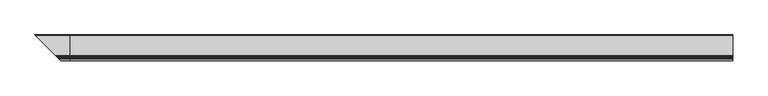
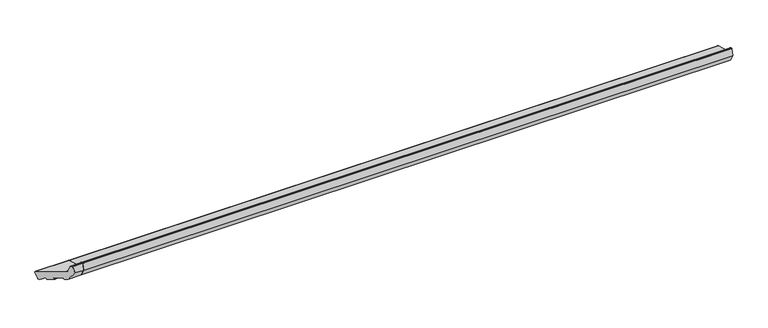
"""IFC4 building model written with IfcOpenShell, lengths in millimetres: proxy geometry."""

import ifcopenshell
import ifcopenshell.guid

model = None  # the IFC model being written
_history = None  # IfcOwnerHistory: only IFC2X3 demands one
_inside = {}  # id of a spatial element -> (the spatial element, [elements in it])
_under = {}  # id of a project, library or spatial element -> (it, [spatial elements below it])
_declared = {}  # id of a project -> (the project, [libraries it declares])
_typed = {}  # id of a type object -> (the type object, [elements of that type])
_made_of = {}  # id of a material, layer set ... -> (it, [elements and type objects made of it])


def new_model(schema):
    """Start an empty IFC model of exactly this schema.

    Asked for "IFC4X3", IfcOpenShell would pick the latest addendum, in which some entities
    have other attributes; the version numbers below select the first issue.
    IFC2X3 requires an IfcOwnerHistory on every rooted entity: one is made here for all.
    """
    global model, _history
    if schema == "IFC4X3":
        model = ifcopenshell.file(schema_version=(4, 3, 0, 0))
    else:
        model = ifcopenshell.file(schema=schema)
    _inside.clear()
    _under.clear()
    _declared.clear()
    _typed.clear()
    _made_of.clear()
    _history = None
    if model.schema == "IFC2X3":
        org = make("IfcOrganization", Name="unknown")
        user = make(
            "IfcPersonAndOrganization",
            ThePerson=make("IfcPerson", FamilyName="unknown"),
            TheOrganization=org,
        )
        app = make(
            "IfcApplication",
            ApplicationDeveloper=org,
            Version="unknown",
            ApplicationFullName="unknown",
            ApplicationIdentifier="unknown",
        )
        _history = make(
            "IfcOwnerHistory",
            OwningUser=user,
            OwningApplication=app,
            ChangeAction="ADDED",
            CreationDate=0,
        )
    return model


def make(cls, **values):
    """One entity of the class cls with the attributes given. An attribute that is None is left unset."""
    return model.create_entity(
        cls, **{name: value for name, value in values.items() if value is not None}
    )


def rooted(cls, **values):
    """An entity with a GlobalId (a new one), such as an element, a storey or a relation."""
    return make(cls, GlobalId=ifcopenshell.guid.new(), OwnerHistory=_history, **values)


def si_unit(unit_type, name, prefix=None):
    """IfcSIUnit, for example si_unit("LENGTHUNIT", "METRE", prefix="MILLI")."""
    return make("IfcSIUnit", UnitType=unit_type, Prefix=prefix, Name=name)


def assignment(units):
    """IfcUnitAssignment: the units of a project."""
    return None if units is None else make("IfcUnitAssignment", Units=units)


def point(xyz):
    """IfcCartesianPoint."""
    return None if xyz is None else make("IfcCartesianPoint", Coordinates=xyz)


def direction(xyz):
    """IfcDirection."""
    return None if xyz is None else make("IfcDirection", DirectionRatios=xyz)


def frame(location, z_axis=None, x_axis=None):
    """IfcAxis2Placement3D, a coordinate frame: its origin and axes. An axis left out is left unset."""
    return make(
        "IfcAxis2Placement3D",
        Location=point(location),
        Axis=direction(z_axis),
        RefDirection=direction(x_axis),
    )


def frame_2d(location, x_axis=None):
    """IfcAxis2Placement2D, a coordinate frame in the plane: its origin and x axis."""
    return make(
        "IfcAxis2Placement2D", Location=point(location), RefDirection=direction(x_axis)
    )


def origin():
    """The frame at (0, 0, 0) with its axes left unset."""
    return frame((0.0, 0.0, 0.0))


def place(relative_to, where):
    """IfcLocalPlacement: puts the frame where relative to a parent placement (None: the world)."""
    return make(
        "IfcLocalPlacement", PlacementRelTo=relative_to, RelativePlacement=where
    )


def context(
    kind, dimensions, precision=None, world=None, true_north=None, identifier=None
):
    """IfcGeometricRepresentationContext, for example the 3D "Model" context."""
    return make(
        "IfcGeometricRepresentationContext",
        ContextIdentifier=identifier,
        ContextType=kind,
        CoordinateSpaceDimension=dimensions,
        Precision=precision,
        WorldCoordinateSystem=world,
        TrueNorth=true_north,
    )


def project(units=None, contexts=None):
    """IfcProject with its units and contexts."""
    return rooted(
        "IfcProject",
        Name="project",
        RepresentationContexts=contexts,
        UnitsInContext=assignment(units),
    )


def spatial(cls, under=None, at=None, **own):
    """A site, building, storey or space (cls), placed at a placement, below another one or the project."""
    s = rooted(cls, ObjectPlacement=at, **own)
    if under is not None:
        _under.setdefault(under.id(), (under, []))[1].append(s)
    return s


def polyline(points):
    """IfcPolyline through the points."""
    return make("IfcPolyline", Points=[point(p) for p in points])


def circle_curve(where, radius):
    """IfcCircle in the frame where."""
    return make("IfcCircle", Position=where, Radius=radius)


def ellipse_curve(where, semi_axis1, semi_axis2):
    """IfcEllipse in the frame where."""
    return make(
        "IfcEllipse", Position=where, SemiAxis1=semi_axis1, SemiAxis2=semi_axis2
    )


def trimmed(basis, trim1, trim2, sense, master):
    """IfcTrimmedCurve: the piece of a basis curve between two trims."""
    return make(
        "IfcTrimmedCurve",
        BasisCurve=basis,
        Trim1=trim1,
        Trim2=trim2,
        SenseAgreement=sense,
        MasterRepresentation=master,
    )


def segment(curve, same_sense, transition):
    """IfcCompositeCurveSegment."""
    return make(
        "IfcCompositeCurveSegment",
        Transition=transition,
        SameSense=same_sense,
        ParentCurve=curve,
    )


def composite_curve(segments, self_intersect=None):
    """IfcCompositeCurve: segments joined end to end."""
    return make("IfcCompositeCurve", Segments=segments, SelfIntersect=self_intersect)


def outline(outer, holes=None, kind="AREA"):
    """IfcArbitraryClosedProfileDef: a profile drawn as a closed curve; with holes, ...WithVoids."""
    if holes is None:
        return make("IfcArbitraryClosedProfileDef", ProfileType=kind, OuterCurve=outer)
    return make(
        "IfcArbitraryProfileDefWithVoids",
        ProfileType=kind,
        OuterCurve=outer,
        InnerCurves=holes,
    )


def extrude(swept, where, along, depth):
    """IfcExtrudedAreaSolid: the profile swept, set in the frame where, extruded along a direction by depth."""
    return make(
        "IfcExtrudedAreaSolid",
        SweptArea=swept,
        Position=where,
        ExtrudedDirection=direction(along),
        Depth=depth,
    )


def shape(context_of_items, identifier, shape_type, items):
    """IfcShapeRepresentation: the items that make up one representation, for example the "Body"."""
    return make(
        "IfcShapeRepresentation",
        ContextOfItems=context_of_items,
        RepresentationIdentifier=identifier,
        RepresentationType=shape_type,
        Items=items,
    )


def source(mapping_origin, context_of_items, identifier, shape_type, items):
    """IfcRepresentationMap: a shape defined once, which mapped items show again and again."""
    return make(
        "IfcRepresentationMap",
        MappingOrigin=mapping_origin,
        MappedRepresentation=shape(context_of_items, identifier, shape_type, items),
    )


def transform(
    local_origin,
    x_axis=None,
    y_axis=None,
    z_axis=None,
    scale=None,
    scale2=None,
    scale3=None,
    uniform=True,
):
    """IfcCartesianTransformationOperator3D, or its non-uniform kind. x_axis, y_axis, z_axis: its Axis1, 2, 3."""
    if uniform:
        return make(
            "IfcCartesianTransformationOperator3D",
            Axis1=direction(x_axis),
            Axis2=direction(y_axis),
            LocalOrigin=point(local_origin),
            Scale=scale,
            Axis3=direction(z_axis),
        )
    return make(
        "IfcCartesianTransformationOperator3DnonUniform",
        Axis1=direction(x_axis),
        Axis2=direction(y_axis),
        LocalOrigin=point(local_origin),
        Scale=scale,
        Axis3=direction(z_axis),
        Scale2=scale2,
        Scale3=scale3,
    )


def mapped(mapping_source, mapping_target):
    """IfcMappedItem: shows the shape of a source again, moved by a transform."""
    return make(
        "IfcMappedItem", MappingSource=mapping_source, MappingTarget=mapping_target
    )


def made_of(thing, what):
    """Note that an element or type object is made of a material, layer set ...; save() writes the relation."""
    if what is not None:
        _made_of.setdefault(what.id(), (what, []))[1].append(thing)
    return thing


def element(
    cls,
    number,
    at=None,
    inside=None,
    cuts=None,
    type_object=None,
    material=None,
    context=None,
    identifier="Body",
    shape_type=None,
    held_by="IfcProductDefinitionShape",
    body=None,
    shapes=None,
    **own,
):
    """One element of the class cls, such as IfcWall. Its Tag is "e" and its number.

    at: its placement. inside: the storey or other place that contains it. cuts: it is an
    opening in that element (IfcRelVoidsElement). A single representation is given by context,
    identifier, shape_type and body (its items); several are given by shapes. held_by: the class
    of the entity that holds the representations. save() writes the other relations.
    """
    e = rooted(cls, Tag="e%d" % number, ObjectPlacement=at, **own)
    if body is not None:
        shapes = [shape(context, identifier, shape_type, body)]
    if shapes is not None:
        e.Representation = make(held_by, Representations=shapes)
    if inside is not None:
        _inside.setdefault(inside.id(), (inside, []))[1].append(e)
    if cuts is not None:
        rooted(
            "IfcRelVoidsElement", RelatingBuildingElement=cuts, RelatedOpeningElement=e
        )
    if type_object is not None:
        _typed.setdefault(type_object.id(), (type_object, []))[1].append(e)
    return made_of(e, material)


def aggregate(whole, parts):
    """IfcRelAggregates: a whole, such as a stair, and the parts it consists of."""
    return rooted("IfcRelAggregates", RelatingObject=whole, RelatedObjects=parts)


def save(model, path):
    """Write the relations noted so far, then the file.

    IfcRelAggregates (storeys below a building ...), IfcRelContainedInSpatialStructure (elements
    in a storey), IfcRelDefinesByType, IfcRelAssociatesMaterial and IfcRelDeclares: one each for
    every whole, place, type object, material and project.
    """
    for whole, parts in _under.values():
        aggregate(whole, parts)
    for where, things in _inside.values():
        rooted(
            "IfcRelContainedInSpatialStructure",
            RelatedElements=things,
            RelatingStructure=where,
        )
    for kind, things in _typed.values():
        rooted("IfcRelDefinesByType", RelatedObjects=things, RelatingType=kind)
    for what, things in _made_of.values():
        rooted("IfcRelAssociatesMaterial", RelatedObjects=things, RelatingMaterial=what)
    for by, libraries in _declared.values():
        rooted("IfcRelDeclares", RelatingContext=by, RelatedDefinitions=libraries)
    model.write(path)


def plane_surface(at):
    """IfcPlane: the flat surface through the origin of the frame at, square to its z axis."""
    return make("IfcPlane", Position=at)


def cylinder_surface(at, radius):
    """IfcCylindricalSurface: all points at the distance radius from the z axis of the frame at."""
    return make("IfcCylindricalSurface", Position=at, Radius=radius)


def revolved_surface(curve, axis_point, axis_direction):
    """IfcSurfaceOfRevolution: the curve turned about the line through axis_point along axis_direction."""
    return make(
        "IfcSurfaceOfRevolution",
        SweptCurve=make("IfcArbitraryOpenProfileDef", ProfileType="CURVE", Curve=curve),
        AxisPosition=make("IfcAxis1Placement", Location=point(axis_point), Axis=direction(axis_direction)),
    )


def advanced_brep(points, edges, surfaces, faces):
    """IfcAdvancedBrep: a solid bounded by faces that lie on surfaces and meet in shared edges.

    An edge is (start, end): straight between two places in points (the first is 0);
    or (start, end, curve); or (start, end, curve, False) where it runs against its curve.
    A face is (place in surfaces, loops), or (place, loops, False) where it looks against
    its surface's normal. A loop lists edges by number (the first is 1), with a minus sign
    where the edge is run from its end to its start. The first loop is the outer one.
    """
    corners = [point(p) for p in points]
    vertices = [make("IfcVertexPoint", VertexGeometry=c) for c in corners]
    made = []
    for start, end, *more in edges:
        made.append(
            make(
                "IfcEdgeCurve",
                EdgeStart=vertices[start],
                EdgeEnd=vertices[end],
                EdgeGeometry=more[0] if more else make("IfcPolyline", Points=[corners[start], corners[end]]),
                SameSense=more[1] if len(more) > 1 else True,
            )
        )
    hull = []
    for where, loops, *sense in faces:
        bounds = []
        for j, loop in enumerate(loops):
            ring = [make("IfcOrientedEdge", EdgeElement=made[abs(k) - 1], Orientation=k > 0) for k in loop]
            bounds.append(
                make(
                    "IfcFaceOuterBound" if j == 0 else "IfcFaceBound",
                    Bound=make("IfcEdgeLoop", EdgeList=ring),
                    Orientation=True,
                )
            )
        hull.append(make("IfcAdvancedFace", Bounds=bounds, FaceSurface=surfaces[where], SameSense=sense[0] if sense else True))
    return make("IfcAdvancedBrep", Outer=make("IfcClosedShell", CfsFaces=hull))


def generic_models_21682ad4(model_context):
    return source(origin(), model_context, "Body", "SolidModel", [
        advanced_brep(
        [(0.0, -47.1626434, 57.797826), (0.0, -51.4052841, 62.0404667), (0.0, -56.1879801, 79.8897315), (0.0, -57.6368689, 81.0015029), (0.0, -60.9802434, 81.0015029), (0.0, -62.4291321, 79.8897315), (0.0, -69.0, 55.3669186), (0.0, -51.3223305, 24.7482968), (0.0, -41.6630722, 22.1601064), (0.0, -40.4383273, 22.8672132), (0.0, -39.4030512, 26.7309165), (0.0, -38.1783063, 27.4380232), (0.0, -14.9960865, 21.2263662), (0.0, -14.2889797, 20.0016213), (0.0, -15.3242559, 16.137918), (0.0, -14.6171491, 14.9131731), (0.0, 2.7695158, 10.2544303), (0.0, 3.9942607, 10.9615371), (0.0, 4.9424512, 14.5002322), (0.0, 6.4292308, 15.095059), (0.0, 20.4149997, 6.5616133), (0.0, 23.3127772, 5.7851562), (0.0, 26.9870118, 7.9064765), (0.0, 33.716307, 33.020548), (0.0, 31.5949866, 36.6947826), (-134.5949866, 31.5949866, 36.6947826), (-55.8373566, -47.1626434, 57.797826), (-136.716307, 33.716307, 33.020548), (-129.9870118, 26.9870118, 7.9064765), (-126.3127772, 23.3127772, 5.7851562), (-123.4149997, 20.4149997, 6.5616133), (-109.4292308, 6.4292308, 15.095059), (-107.9424512, 4.9424512, 14.5002322), (-106.9942607, 3.9942607, 10.9615371), (-105.7695158, 2.7695158, 10.2544303), (-88.3828509, -14.6171491, 14.9131731), (-87.6757441, -15.3242559, 16.137918), (-88.7110203, -14.2889797, 20.0016213), (-88.0039135, -14.9960865, 21.2263662), (-64.8216937, -38.1783063, 27.4380232), (-63.5969488, -39.4030512, 26.7309165), (-62.5616727, -40.4383273, 22.8672132), (-61.3369278, -41.6630722, 22.1601064), (-51.6776695, -51.3223305, 24.7482968), (-34.0, -69.0, 55.3669186), (-40.5708679, -62.4291321, 79.8897315), (-42.0197566, -60.9802434, 81.0015029), (-45.3631311, -57.6368689, 81.0015029), (-46.8120199, -56.1879801, 79.8897315), (-51.5947159, -51.4052841, 62.0404667)],
        [
            (0, 1, circle_curve(frame((0.0, -45.6097291, 63.5933809), z_axis=(-1.0, 0.0, 0.0), x_axis=(0.0, -0.25881904510252074, -0.9659258262890683)), 6.0)),
            (1, 2),
            (2, 3, circle_curve(frame((0.0, -57.6368689, 79.5015029), z_axis=(1.0, 0.0, 0.0), x_axis=(0.0, 0.9659258262890683, 0.25881904510252074)), 1.5)),
            (3, 4),
            (4, 5, circle_curve(frame((0.0, -60.9802434, 79.5015029), z_axis=(1.0, 0.0, 0.0), x_axis=(0.0, 0.0, 1.0)), 1.5)),
            (5, 6),
            (6, 7),
            (7, 8),
            (8, 9, circle_curve(frame((0.0, -41.4042532, 23.1260322), z_axis=(1.0, 0.0, 0.0), x_axis=(0.0, -0.25881904510252074, -0.9659258262890683)), 1.0)),
            (9, 10),
            (10, 11, circle_curve(frame((0.0, -38.4371253, 26.4720974), z_axis=(-1.0, 0.0, 0.0), x_axis=(0.0, -0.9659258262890683, 0.25881904510252074)), 1.0)),
            (11, 12),
            (12, 13, circle_curve(frame((0.0, -15.2549055, 20.2604403), z_axis=(-1.0, 0.0, 0.0), x_axis=(0.0, 0.25881904510252074, 0.9659258262890683)), 1.0)),
            (13, 14),
            (14, 15, circle_curve(frame((0.0, -14.35833, 15.8790989), z_axis=(1.0, 0.0, 0.0), x_axis=(0.0, -0.9659258262890683, 0.25881904510252074)), 1.0)),
            (15, 16),
            (16, 17, circle_curve(frame((0.0, 3.0283348, 11.2203561), z_axis=(1.0, 0.0, 0.0), x_axis=(0.0, -0.25881904510252074, -0.9659258262890683)), 1.0)),
            (17, 18),
            (18, 19, circle_curve(frame((0.0, 5.908377, 14.2414131), z_axis=(-1.0, 0.0, 0.0), x_axis=(0.0, -0.9659258262890681, 0.25881904510252157)), 1.0)),
            (19, 20),
            (20, 21),
            (21, 22, circle_curve(frame((0.0, 24.0892343, 8.6829337), z_axis=(1.0, 0.0, 0.0), x_axis=(0.0, -0.2588190451025206, -0.9659258262890683)), 3.0)),
            (22, 23),
            (23, 24, circle_curve(frame((0.0, 30.8185295, 33.7970051), z_axis=(1.0, 0.0, 0.0), x_axis=(0.0, 0.9659258262890683, -0.25881904510252074)), 3.0)),
            (24, 0),
            (24, 25),
            (25, 26),
            (26, 0),
            (23, 27),
            (27, 25, ellipse_curve(frame((-133.8185295, 30.8185295, 33.7970051), z_axis=(0.7071067811865491, 0.707106781186546, 0.0), x_axis=(-0.7071067811865459, 0.7071067811865491, 0.0)), 4.2426407, 3.0)),
            (22, 28),
            (28, 27),
            (21, 29),
            (29, 28, ellipse_curve(frame((-127.0892343, 24.0892343, 8.6829337), z_axis=(0.7071067811865491, 0.707106781186546, 0.0), x_axis=(-0.7071067811865459, 0.7071067811865491, 0.0)), 4.2426407, 3.0)),
            (20, 30),
            (30, 29),
            (19, 31),
            (31, 30),
            (18, 32),
            (32, 31, ellipse_curve(frame((-108.908377, 5.908377, 14.2414131), z_axis=(-0.7071067811865491, -0.707106781186546, 0.0), x_axis=(0.7071067811865459, -0.7071067811865491, 0.0)), 1.4142136, 1.0)),
            (17, 33),
            (33, 32),
            (16, 34),
            (34, 33, ellipse_curve(frame((-106.0283348, 3.0283348, 11.2203561), z_axis=(0.7071067811865491, 0.707106781186546, 0.0), x_axis=(-0.7071067811865459, 0.7071067811865491, 0.0)), 1.4142136, 1.0)),
            (15, 35),
            (35, 34),
            (14, 36),
            (36, 35, ellipse_curve(frame((-88.64167, -14.35833, 15.8790989), z_axis=(0.7071067811865491, 0.707106781186546, 0.0), x_axis=(-0.7071067811865459, 0.7071067811865491, 0.0)), 1.4142136, 1.0)),
            (13, 37),
            (37, 36),
            (12, 38),
            (38, 37, ellipse_curve(frame((-87.7450945, -15.2549055, 20.2604403), z_axis=(-0.7071067811865491, -0.707106781186546, 0.0), x_axis=(0.7071067811865459, -0.7071067811865491, 0.0)), 1.4142136, 1.0)),
            (11, 39),
            (39, 38),
            (10, 40),
            (40, 39, ellipse_curve(frame((-64.5628747, -38.4371253, 26.4720974), z_axis=(-0.7071067811865491, -0.707106781186546, 0.0), x_axis=(0.7071067811865459, -0.7071067811865491, 0.0)), 1.4142136, 1.0)),
            (9, 41),
            (41, 40),
            (8, 42),
            (42, 41, ellipse_curve(frame((-61.5957468, -41.4042532, 23.1260322), z_axis=(0.7071067811865491, 0.707106781186546, 0.0), x_axis=(-0.7071067811865459, 0.7071067811865491, 0.0)), 1.4142136, 1.0)),
            (7, 43),
            (43, 42),
            (6, 44),
            (44, 43),
            (5, 45),
            (45, 44),
            (4, 46),
            (46, 45, ellipse_curve(frame((-42.0197566, -60.9802434, 79.5015029), z_axis=(0.7071067811865491, 0.707106781186546, 0.0), x_axis=(-0.7071067811865459, 0.7071067811865491, 0.0)), 2.1213203, 1.5)),
            (3, 47),
            (47, 46),
            (2, 48),
            (48, 47, ellipse_curve(frame((-45.3631311, -57.6368689, 79.5015029), z_axis=(0.7071067811865491, 0.707106781186546, 0.0), x_axis=(-0.7071067811865459, 0.7071067811865491, 0.0)), 2.1213203, 1.5)),
            (1, 49),
            (49, 48),
            (26, 49, ellipse_curve(frame((-57.3902709, -45.6097291, 63.5933809), z_axis=(-0.7071067811865491, -0.707106781186546, 0.0), x_axis=(0.7071067811865459, -0.7071067811865491, 0.0)), 8.4852814, 6.0)),
        ],
        [
            plane_surface(frame((0.0, -0.0129882, 0.0), z_axis=(1.0, 0.0, 0.0), x_axis=(0.0, 0.0, 1.0))),
            plane_surface(frame((-136.9599509, -47.1626434, 57.797826), z_axis=(0.0, 0.25881904510252074, 0.9659258262890683), x_axis=(1.0, 0.0, 0.0))),
            cylinder_surface(frame((-136.9599509, 30.8185295, 33.7970051), z_axis=(-1.0, 0.0, 0.0), x_axis=(0.0, 0.9659258262890683, -0.25881904510252074)), 3.0),
            plane_surface(frame((-136.9599509, 33.716307, 33.020548), z_axis=(0.0, 0.9659258262890683, -0.25881904510252074), x_axis=(1.0, 0.0, 0.0))),
            cylinder_surface(frame((-136.9599509, 24.0892343, 8.6829337), z_axis=(-1.0, 0.0, 0.0), x_axis=(0.0, -0.2588190451025206, -0.9659258262890683)), 3.0),
            plane_surface(frame((-136.9599509, 23.3127772, 5.7851562), z_axis=(0.0, -0.25881904510252074, -0.9659258262890683), x_axis=(1.0, 0.0, 0.0))),
            plane_surface(frame((-136.9599509, 20.4149997, 6.5616133), z_axis=(0.0, -0.5208538026734643, -0.8536458962828745), x_axis=(1.0, 0.0, 0.0))),
            revolved_surface(polyline([(0.0, 4.942451173710932, 14.500232145102522), (-109.90837702660625, 4.942451173710932, 14.500232145102522)]), (-136.9599509, 5.908377, 14.2414131), (1.0, 0.0, 0.0)),
            plane_surface(frame((-136.9599509, 4.9424512, 14.5002322), z_axis=(0.0, 0.9659258262890683, -0.25881904510252074), x_axis=(1.0, 0.0, 0.0))),
            cylinder_surface(frame((-136.9599509, 3.0283348, 11.2203561), z_axis=(-1.0, 0.0, 0.0), x_axis=(0.0, -0.25881904510252074, -0.9659258262890683)), 1.0),
            plane_surface(frame((-136.9599509, 2.7695158, 10.2544303), z_axis=(0.0, -0.25881904510252074, -0.9659258262890683), x_axis=(1.0, 0.0, 0.0))),
            cylinder_surface(frame((-136.9599509, -14.35833, 15.8790989), z_axis=(-1.0, 0.0, 0.0), x_axis=(0.0, -0.9659258262890683, 0.25881904510252074)), 1.0),
            plane_surface(frame((-136.9599509, -15.3242559, 16.137918), z_axis=(0.0, -0.9659258262890683, 0.25881904510252074), x_axis=(1.0, 0.0, 0.0))),
            revolved_surface(polyline([(0.0, -14.99608645489748, 21.22636612628907), (-88.74509452660624, -14.99608645489748, 21.22636612628907)]), (-136.9599509, -15.2549055, 20.2604403), (1.0, 0.0, 0.0)),
            plane_surface(frame((-136.9599509, -14.9960865, 21.2263662), z_axis=(0.0, -0.25881904510252074, -0.9659258262890683), x_axis=(1.0, 0.0, 0.0))),
            revolved_surface(polyline([(0.0, -39.403051126289064, 26.73091644510252), (-65.56287472660624, -39.403051126289064, 26.73091644510252)]), (-136.9599509, -38.4371253, 26.4720974), (1.0, 0.0, 0.0)),
            plane_surface(frame((-136.9599509, -39.4030512, 26.7309165), z_axis=(0.0, 0.9659258262890683, -0.25881904510252074), x_axis=(1.0, 0.0, 0.0))),
            cylinder_surface(frame((-136.9599509, -41.4042532, 23.1260322), z_axis=(-1.0, 0.0, 0.0), x_axis=(0.0, -0.25881904510252074, -0.9659258262890683)), 1.0),
            plane_surface(frame((-136.9599509, -41.6630722, 22.1601064), z_axis=(0.0, -0.25881904510252074, -0.9659258262890683), x_axis=(1.0, 0.0, 0.0))),
            plane_surface(frame((-136.9599509, -51.3223305, 24.7482968), z_axis=(0.0, -0.8660254037844388, -0.4999999999999997), x_axis=(1.0, 0.0, 0.0))),
            plane_surface(frame((-136.9599509, -69.0, 55.3669186), z_axis=(0.0, -0.9659258262890683, 0.25881904510252074), x_axis=(1.0, 0.0, 0.0))),
            cylinder_surface(frame((-136.9599509, -60.9802434, 79.5015029), z_axis=(-1.0, 0.0, 0.0), x_axis=(0.0, 0.0, 1.0)), 1.5),
            plane_surface(frame((-136.9599509, -60.9802434, 81.0015029), z_axis=(0.0, 0.0, 1.0), x_axis=(1.0, 0.0, 0.0))),
            cylinder_surface(frame((-136.9599509, -57.6368689, 79.5015029), z_axis=(-1.0, 0.0, 0.0), x_axis=(0.0, 0.9659258262890683, 0.25881904510252074)), 1.5),
            plane_surface(frame((-136.9599509, -56.1879801, 79.8897315), z_axis=(0.0, 0.9659258262890689, 0.2588190451025189), x_axis=(1.0, 0.0, 0.0))),
            revolved_surface(polyline([(0.0, -47.16264337061513, 57.79782594226559), (-63.39027091821606, -47.16264337061513, 57.79782594226559)]), (-136.9599509, -45.6097291, 63.5933809), (1.0, 0.0, 0.0)),
            plane_surface(frame((7.1251873, -110.1251873, 86.7951871), z_axis=(-0.7071067811865491, -0.707106781186546, 0.0), x_axis=(0.0, 0.0, -1.0))),
        ],
        [
            (0, [[1, 2, 3, 4, 5, 6, 7, 8, 9, 10, 11, 12, 13, 14, 15, 16, 17, 18, 19, 20, 21, 22, 23, 24, 25]]),
            (1, [[-25, 26, 27, 28]]),
            (2, [[-24, 29, 30, -26]]),
            (3, [[-23, 31, 32, -29]]),
            (4, [[-22, 33, 34, -31]]),
            (5, [[-21, 35, 36, -33]]),
            (6, [[-20, 37, 38, -35]]),
            (7, [[-19, 39, 40, -37]]),
            (8, [[-18, 41, 42, -39]]),
            (9, [[-17, 43, 44, -41]]),
            (10, [[-16, 45, 46, -43]]),
            (11, [[-15, 47, 48, -45]]),
            (12, [[-14, 49, 50, -47]]),
            (13, [[-13, 51, 52, -49]]),
            (14, [[-12, 53, 54, -51]]),
            (15, [[-11, 55, 56, -53]]),
            (16, [[-10, 57, 58, -55]]),
            (17, [[-9, 59, 60, -57]]),
            (18, [[-8, 61, 62, -59]]),
            (19, [[-7, 63, 64, -61]]),
            (20, [[-6, 65, 66, -63]]),
            (21, [[-5, 67, 68, -65]]),
            (22, [[-4, 69, 70, -67]]),
            (23, [[-3, 71, 72, -69]]),
            (24, [[-2, 73, 74, -71]]),
            (25, [[-1, -28, 75, -73]]),
            (26, [[-27, -30, -32, -34, -36, -38, -40, -42, -44, -46, -48, -50, -52, -54, -56, -58, -60, -62, -64, -66, -68, -70, -72, -74, -75]]),
        ],
    ),
        extrude(outline(composite_curve([segment(polyline([(-47.1626434, 57.797826), (31.5949866, 36.6947826)]), True, "CONTINUOUS"), segment(trimmed(circle_curve(frame_2d((30.8185295, 33.7970051)), 3.0), [point((31.5949866, 36.6947826))], [point((33.716307, 33.020548))], False, "CARTESIAN"), True, "CONTINUOUS"), segment(polyline([(33.716307, 33.020548), (26.9870118, 7.9064765)]), True, "CONTINUOUS"), segment(trimmed(circle_curve(frame_2d((24.0892343, 8.6829337)), 3.0), [point((26.9870118, 7.9064765))], [point((23.3127772, 5.7851562))], False, "CARTESIAN"), True, "CONTINUOUS"), segment(polyline([(23.3127772, 5.7851562), (20.4149997, 6.5616133), (6.4292308, 15.095059)]), True, "CONTINUOUS"), segment(trimmed(circle_curve(frame_2d((5.908377, 14.2414131)), 1.0), [point((6.4292308, 15.095059))], [point((4.9424512, 14.5002322))], True, "CARTESIAN"), True, "CONTINUOUS"), segment(polyline([(4.9424512, 14.5002322), (3.9942607, 10.9615371)]), True, "CONTINUOUS"), segment(trimmed(circle_curve(frame_2d((3.0283348, 11.2203561)), 1.0), [point((3.9942607, 10.9615371))], [point((2.7695158, 10.2544303))], False, "CARTESIAN"), True, "CONTINUOUS"), segment(polyline([(2.7695158, 10.2544303), (-14.6171491, 14.9131731)]), True, "CONTINUOUS"), segment(trimmed(circle_curve(frame_2d((-14.35833, 15.8790989)), 1.0), [point((-14.6171491, 14.9131731))], [point((-15.3242559, 16.137918))], False, "CARTESIAN"), True, "CONTINUOUS"), segment(polyline([(-15.3242559, 16.137918), (-14.2889797, 20.0016213)]), True, "CONTINUOUS"), segment(trimmed(circle_curve(frame_2d((-15.2549055, 20.2604403)), 1.0), [point((-14.2889797, 20.0016213))], [point((-14.9960865, 21.2263662))], True, "CARTESIAN"), True, "CONTINUOUS"), segment(polyline([(-14.9960865, 21.2263662), (-38.1783063, 27.4380232)]), True, "CONTINUOUS"), segment(trimmed(circle_curve(frame_2d((-38.4371253, 26.4720974)), 1.0), [point((-38.1783063, 27.4380232))], [point((-39.4030512, 26.7309165))], True, "CARTESIAN"), True, "CONTINUOUS"), segment(polyline([(-39.4030512, 26.7309165), (-40.4383273, 22.8672132)]), True, "CONTINUOUS"), segment(trimmed(circle_curve(frame_2d((-41.4042532, 23.1260322)), 1.0), [point((-40.4383273, 22.8672132))], [point((-41.6630722, 22.1601064))], False, "CARTESIAN"), True, "CONTINUOUS"), segment(polyline([(-41.6630722, 22.1601064), (-51.3223305, 24.7482968), (-69.0, 55.3669186), (-62.4291321, 79.8897315)]), True, "CONTINUOUS"), segment(trimmed(circle_curve(frame_2d((-60.9802434, 79.5015029)), 1.5), [point((-62.4291321, 79.8897315))], [point((-60.9802434, 81.0015029))], False, "CARTESIAN"), True, "CONTINUOUS"), segment(polyline([(-60.9802434, 81.0015029), (-57.6368689, 81.0015029)]), True, "CONTINUOUS"), segment(trimmed(circle_curve(frame_2d((-57.6368689, 79.5015029)), 1.5), [point((-57.6368689, 81.0015029))], [point((-56.1879801, 79.8897315))], False, "CARTESIAN"), True, "CONTINUOUS"), segment(polyline([(-56.1879801, 79.8897315), (-51.4052841, 62.0404667)]), True, "CONTINUOUS"), segment(trimmed(circle_curve(frame_2d((-45.6097291, 63.5933809)), 6.0), [point((-51.4052841, 62.0404667))], [point((-47.1626434, 57.797826))], True, "CARTESIAN"), True, "CONTINUOUS")], self_intersect=False)), frame((0.0, 0.0, 0.0), z_axis=(1.0, 0.0, 0.0), x_axis=(0.0, 1.0, 0.0)), (0.0, 0.0, 1.0), 2620.0),
    ])


if __name__ == "__main__":
    model = new_model("IFC4")
    model_context = context("Model", 3, world=origin())
    ifc_project = project(units=[si_unit("LENGTHUNIT", "METRE", prefix="MILLI")], contexts=[model_context])
    site = spatial("IfcSite", under=ifc_project)
    building = spatial("IfcBuilding", under=site)
    placement = place(None, origin())
    generic_models_shape = generic_models_21682ad4(model_context)
    element("IfcBuildingElementProxy", 1, Name="Generic Models", at=placement, inside=building, context=model_context, shape_type="MappedRepresentation", body=[
        mapped(generic_models_shape, transform((0.0, 0.0, 0.0), x_axis=(1.0, 0.0, 0.0), y_axis=(0.0, 1.0, 0.0), z_axis=(0.0, 0.0, 1.0))),
    ])
    save(model, "model.ifc")
